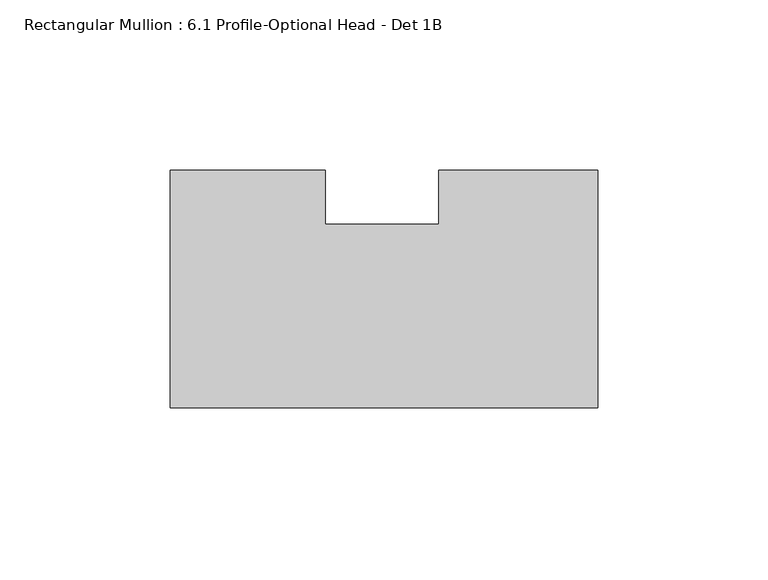
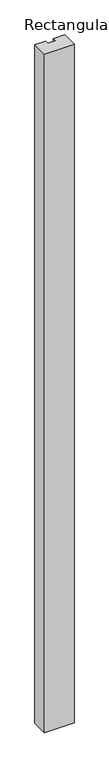
"""IFC4 building model written with IfcOpenShell, lengths in millimetres: member geometry, Rectangular Mullion : 6.1 Profile-Optional Head - Det 1B."""

from ifc_helpers import new_model, si_unit, frame, origin, place, context, project, spatial, polyline, outline, extrude, source, transform, mapped, element, save


def rectangular_mullion_6_1_profile_optional_head_det_1b_eadc5b43(model_context):
    return source(origin(), model_context, "Body", "SweptSolid", [
        extrude(outline(polyline([(-125.7808, -34.925), (-125.7808, 34.9265795), (-80.2091346, 34.9265795), (-80.2091346, 19.0515795), (-46.8497888, 19.0515795), (-46.8497888, 34.9265795), (0.0, 34.9265795), (0.0, -34.925), (-125.7808, -34.925)])), frame((0.0, 0.0, -3048.0), z_axis=(0.0, 0.0, 1.0), x_axis=(1.0, 0.0, 0.0)), (0.0, 0.0, 1.0), 3048.0),
    ])


if __name__ == "__main__":
    model = new_model("IFC4")
    model_context = context("Model", 3, world=origin())
    ifc_project = project(units=[si_unit("LENGTHUNIT", "METRE", prefix="MILLI")], contexts=[model_context])
    site = spatial("IfcSite", under=ifc_project)
    building = spatial("IfcBuilding", under=site)
    placement = place(None, origin())
    rectangular_mullion_6_1_profile_optional_head_det_1b_shape = rectangular_mullion_6_1_profile_optional_head_det_1b_eadc5b43(model_context)
    element("IfcMember", 1, ObjectType="Rectangular Mullion : 6.1 Profile-Optional Head - Det 1B", at=placement, inside=building, context=model_context, shape_type="MappedRepresentation", body=[
        mapped(rectangular_mullion_6_1_profile_optional_head_det_1b_shape, transform((0.0, 0.0, 0.0), x_axis=(1.0, 0.0, 0.0), y_axis=(0.0, 1.0, 0.0), z_axis=(0.0, 0.0, 1.0))),
    ])
    save(model, "model.ifc")
